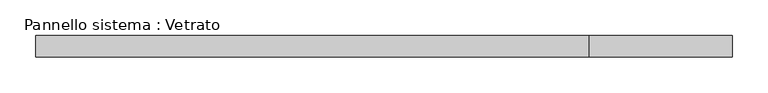
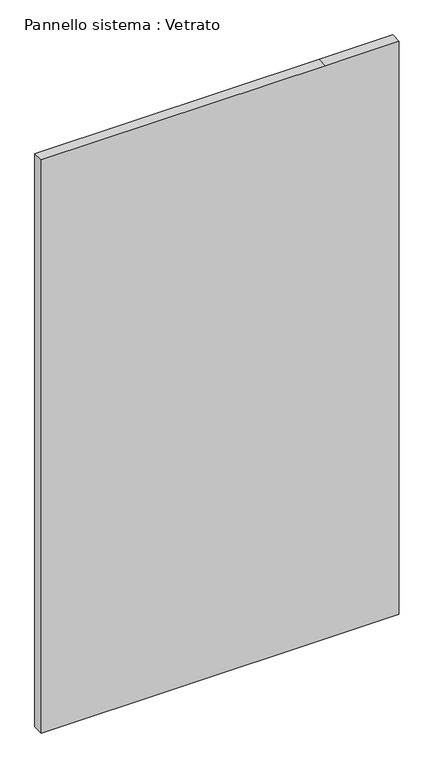
"""IFC4 building model written with IfcOpenShell, lengths in millimetres: plate geometry, Pannello sistema : Vetrato."""

from ifc_helpers import new_model, si_unit, frame, origin, place, context, project, spatial, polyline, outline, extrude, source, transform, mapped, element, save


def pannello_sistema_vetrato_8846d47c(model_context):
    return source(origin(), model_context, "Body", "SweptSolid", [
        extrude(outline(polyline([(0.0, -487.5073705), (0.0, 287.4921473), (0.0, 487.5073705), (1650.0, 487.5073705), (1650.0, 287.4921473), (1650.0, -487.5073705), (0.0, -487.5073705)])), frame((0.0, -15.0, 0.0), z_axis=(0.0, 1.0, 0.0), x_axis=(0.0, 0.0, 1.0)), (0.0, 0.0, 1.0), 30.0),
    ])


if __name__ == "__main__":
    model = new_model("IFC4")
    model_context = context("Model", 3, world=origin())
    ifc_project = project(units=[si_unit("LENGTHUNIT", "METRE", prefix="MILLI")], contexts=[model_context])
    site = spatial("IfcSite", under=ifc_project)
    building = spatial("IfcBuilding", under=site)
    placement = place(None, origin())
    pannello_sistema_vetrato_shape = pannello_sistema_vetrato_8846d47c(model_context)
    element("IfcPlate", 1, ObjectType="Pannello sistema : Vetrato", at=placement, inside=building, context=model_context, shape_type="MappedRepresentation", body=[
        mapped(pannello_sistema_vetrato_shape, transform((0.0, 0.0, 0.0), x_axis=(1.0, 0.0, 0.0), y_axis=(0.0, 1.0, 0.0), z_axis=(0.0, 0.0, 1.0))),
    ])
    save(model, "model.ifc")
